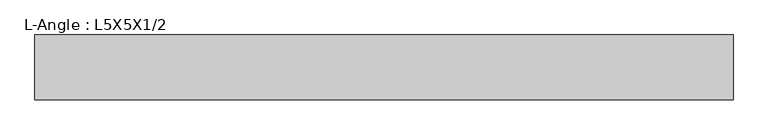
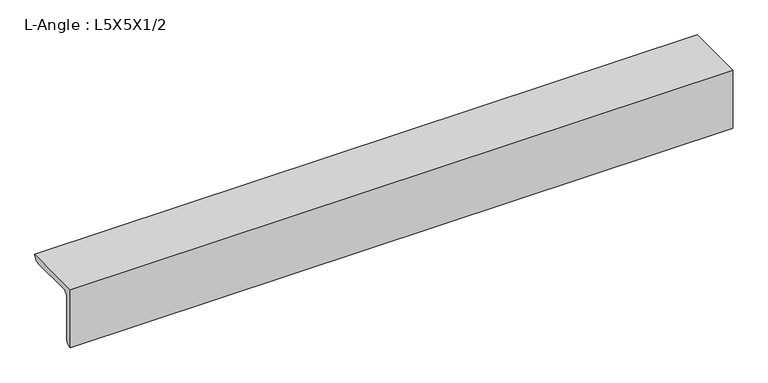
"""IFC4 building model written with IfcOpenShell, lengths in millimetres: beam geometry, L-Angle : L5X5X1/2."""

import ifcopenshell
import ifcopenshell.guid

model = None  # the IFC model being written
_history = None  # IfcOwnerHistory: only IFC2X3 demands one
_inside = {}  # id of a spatial element -> (the spatial element, [elements in it])
_under = {}  # id of a project, library or spatial element -> (it, [spatial elements below it])
_declared = {}  # id of a project -> (the project, [libraries it declares])
_typed = {}  # id of a type object -> (the type object, [elements of that type])
_made_of = {}  # id of a material, layer set ... -> (it, [elements and type objects made of it])


def new_model(schema):
    """Start an empty IFC model of exactly this schema.

    Asked for "IFC4X3", IfcOpenShell would pick the latest addendum, in which some entities
    have other attributes; the version numbers below select the first issue.
    IFC2X3 requires an IfcOwnerHistory on every rooted entity: one is made here for all.
    """
    global model, _history
    if schema == "IFC4X3":
        model = ifcopenshell.file(schema_version=(4, 3, 0, 0))
    else:
        model = ifcopenshell.file(schema=schema)
    _inside.clear()
    _under.clear()
    _declared.clear()
    _typed.clear()
    _made_of.clear()
    _history = None
    if model.schema == "IFC2X3":
        org = make("IfcOrganization", Name="unknown")
        user = make(
            "IfcPersonAndOrganization",
            ThePerson=make("IfcPerson", FamilyName="unknown"),
            TheOrganization=org,
        )
        app = make(
            "IfcApplication",
            ApplicationDeveloper=org,
            Version="unknown",
            ApplicationFullName="unknown",
            ApplicationIdentifier="unknown",
        )
        _history = make(
            "IfcOwnerHistory",
            OwningUser=user,
            OwningApplication=app,
            ChangeAction="ADDED",
            CreationDate=0,
        )
    return model


def make(cls, **values):
    """One entity of the class cls with the attributes given. An attribute that is None is left unset."""
    return model.create_entity(
        cls, **{name: value for name, value in values.items() if value is not None}
    )


def rooted(cls, **values):
    """An entity with a GlobalId (a new one), such as an element, a storey or a relation."""
    return make(cls, GlobalId=ifcopenshell.guid.new(), OwnerHistory=_history, **values)


def si_unit(unit_type, name, prefix=None):
    """IfcSIUnit, for example si_unit("LENGTHUNIT", "METRE", prefix="MILLI")."""
    return make("IfcSIUnit", UnitType=unit_type, Prefix=prefix, Name=name)


def assignment(units):
    """IfcUnitAssignment: the units of a project."""
    return None if units is None else make("IfcUnitAssignment", Units=units)


def point(xyz):
    """IfcCartesianPoint."""
    return None if xyz is None else make("IfcCartesianPoint", Coordinates=xyz)


def direction(xyz):
    """IfcDirection."""
    return None if xyz is None else make("IfcDirection", DirectionRatios=xyz)


def frame(location, z_axis=None, x_axis=None):
    """IfcAxis2Placement3D, a coordinate frame: its origin and axes. An axis left out is left unset."""
    return make(
        "IfcAxis2Placement3D",
        Location=point(location),
        Axis=direction(z_axis),
        RefDirection=direction(x_axis),
    )


def frame_2d(location, x_axis=None):
    """IfcAxis2Placement2D, a coordinate frame in the plane: its origin and x axis."""
    return make(
        "IfcAxis2Placement2D", Location=point(location), RefDirection=direction(x_axis)
    )


def origin():
    """The frame at (0, 0, 0) with its axes left unset."""
    return frame((0.0, 0.0, 0.0))


def place(relative_to, where):
    """IfcLocalPlacement: puts the frame where relative to a parent placement (None: the world)."""
    return make(
        "IfcLocalPlacement", PlacementRelTo=relative_to, RelativePlacement=where
    )


def context(
    kind, dimensions, precision=None, world=None, true_north=None, identifier=None
):
    """IfcGeometricRepresentationContext, for example the 3D "Model" context."""
    return make(
        "IfcGeometricRepresentationContext",
        ContextIdentifier=identifier,
        ContextType=kind,
        CoordinateSpaceDimension=dimensions,
        Precision=precision,
        WorldCoordinateSystem=world,
        TrueNorth=true_north,
    )


def project(units=None, contexts=None):
    """IfcProject with its units and contexts."""
    return rooted(
        "IfcProject",
        Name="project",
        RepresentationContexts=contexts,
        UnitsInContext=assignment(units),
    )


def spatial(cls, under=None, at=None, **own):
    """A site, building, storey or space (cls), placed at a placement, below another one or the project."""
    s = rooted(cls, ObjectPlacement=at, **own)
    if under is not None:
        _under.setdefault(under.id(), (under, []))[1].append(s)
    return s


def polyline(points):
    """IfcPolyline through the points."""
    return make("IfcPolyline", Points=[point(p) for p in points])


def circle_curve(where, radius):
    """IfcCircle in the frame where."""
    return make("IfcCircle", Position=where, Radius=radius)


def trimmed(basis, trim1, trim2, sense, master):
    """IfcTrimmedCurve: the piece of a basis curve between two trims."""
    return make(
        "IfcTrimmedCurve",
        BasisCurve=basis,
        Trim1=trim1,
        Trim2=trim2,
        SenseAgreement=sense,
        MasterRepresentation=master,
    )


def segment(curve, same_sense, transition):
    """IfcCompositeCurveSegment."""
    return make(
        "IfcCompositeCurveSegment",
        Transition=transition,
        SameSense=same_sense,
        ParentCurve=curve,
    )


def composite_curve(segments, self_intersect=None):
    """IfcCompositeCurve: segments joined end to end."""
    return make("IfcCompositeCurve", Segments=segments, SelfIntersect=self_intersect)


def outline(outer, holes=None, kind="AREA"):
    """IfcArbitraryClosedProfileDef: a profile drawn as a closed curve; with holes, ...WithVoids."""
    if holes is None:
        return make("IfcArbitraryClosedProfileDef", ProfileType=kind, OuterCurve=outer)
    return make(
        "IfcArbitraryProfileDefWithVoids",
        ProfileType=kind,
        OuterCurve=outer,
        InnerCurves=holes,
    )


def extrude(swept, where, along, depth):
    """IfcExtrudedAreaSolid: the profile swept, set in the frame where, extruded along a direction by depth."""
    return make(
        "IfcExtrudedAreaSolid",
        SweptArea=swept,
        Position=where,
        ExtrudedDirection=direction(along),
        Depth=depth,
    )


def shape(context_of_items, identifier, shape_type, items):
    """IfcShapeRepresentation: the items that make up one representation, for example the "Body"."""
    return make(
        "IfcShapeRepresentation",
        ContextOfItems=context_of_items,
        RepresentationIdentifier=identifier,
        RepresentationType=shape_type,
        Items=items,
    )


def source(mapping_origin, context_of_items, identifier, shape_type, items):
    """IfcRepresentationMap: a shape defined once, which mapped items show again and again."""
    return make(
        "IfcRepresentationMap",
        MappingOrigin=mapping_origin,
        MappedRepresentation=shape(context_of_items, identifier, shape_type, items),
    )


def transform(
    local_origin,
    x_axis=None,
    y_axis=None,
    z_axis=None,
    scale=None,
    scale2=None,
    scale3=None,
    uniform=True,
):
    """IfcCartesianTransformationOperator3D, or its non-uniform kind. x_axis, y_axis, z_axis: its Axis1, 2, 3."""
    if uniform:
        return make(
            "IfcCartesianTransformationOperator3D",
            Axis1=direction(x_axis),
            Axis2=direction(y_axis),
            LocalOrigin=point(local_origin),
            Scale=scale,
            Axis3=direction(z_axis),
        )
    return make(
        "IfcCartesianTransformationOperator3DnonUniform",
        Axis1=direction(x_axis),
        Axis2=direction(y_axis),
        LocalOrigin=point(local_origin),
        Scale=scale,
        Axis3=direction(z_axis),
        Scale2=scale2,
        Scale3=scale3,
    )


def mapped(mapping_source, mapping_target):
    """IfcMappedItem: shows the shape of a source again, moved by a transform."""
    return make(
        "IfcMappedItem", MappingSource=mapping_source, MappingTarget=mapping_target
    )


def made_of(thing, what):
    """Note that an element or type object is made of a material, layer set ...; save() writes the relation."""
    if what is not None:
        _made_of.setdefault(what.id(), (what, []))[1].append(thing)
    return thing


def element(
    cls,
    number,
    at=None,
    inside=None,
    cuts=None,
    type_object=None,
    material=None,
    context=None,
    identifier="Body",
    shape_type=None,
    held_by="IfcProductDefinitionShape",
    body=None,
    shapes=None,
    **own,
):
    """One element of the class cls, such as IfcWall. Its Tag is "e" and its number.

    at: its placement. inside: the storey or other place that contains it. cuts: it is an
    opening in that element (IfcRelVoidsElement). A single representation is given by context,
    identifier, shape_type and body (its items); several are given by shapes. held_by: the class
    of the entity that holds the representations. save() writes the other relations.
    """
    e = rooted(cls, Tag="e%d" % number, ObjectPlacement=at, **own)
    if body is not None:
        shapes = [shape(context, identifier, shape_type, body)]
    if shapes is not None:
        e.Representation = make(held_by, Representations=shapes)
    if inside is not None:
        _inside.setdefault(inside.id(), (inside, []))[1].append(e)
    if cuts is not None:
        rooted(
            "IfcRelVoidsElement", RelatingBuildingElement=cuts, RelatedOpeningElement=e
        )
    if type_object is not None:
        _typed.setdefault(type_object.id(), (type_object, []))[1].append(e)
    return made_of(e, material)


def aggregate(whole, parts):
    """IfcRelAggregates: a whole, such as a stair, and the parts it consists of."""
    return rooted("IfcRelAggregates", RelatingObject=whole, RelatedObjects=parts)


def save(model, path):
    """Write the relations noted so far, then the file.

    IfcRelAggregates (storeys below a building ...), IfcRelContainedInSpatialStructure (elements
    in a storey), IfcRelDefinesByType, IfcRelAssociatesMaterial and IfcRelDeclares: one each for
    every whole, place, type object, material and project.
    """
    for whole, parts in _under.values():
        aggregate(whole, parts)
    for where, things in _inside.values():
        rooted(
            "IfcRelContainedInSpatialStructure",
            RelatedElements=things,
            RelatingStructure=where,
        )
    for kind, things in _typed.values():
        rooted("IfcRelDefinesByType", RelatedObjects=things, RelatingType=kind)
    for what, things in _made_of.values():
        rooted("IfcRelAssociatesMaterial", RelatedObjects=things, RelatingMaterial=what)
    for by, libraries in _declared.values():
        rooted("IfcRelDeclares", RelatingContext=by, RelatedDefinitions=libraries)
    model.write(path)


def l_angle_l5x5x1_2_56a12402(model_context):
    return source(origin(), model_context, "Body", "SweptSolid", [
        extrude(outline(composite_curve([segment(polyline([(-36.068, 36.068), (90.932, 36.068)]), True, "CONTINUOUS"), segment(trimmed(circle_curve(frame_2d((78.232, 36.068)), 12.7), [point((90.932, 36.068))], [point((78.232, 23.368))], False, "CARTESIAN"), True, "CONTINUOUS"), segment(polyline([(78.232, 23.368), (-10.668, 23.368)]), True, "CONTINUOUS"), segment(trimmed(circle_curve(frame_2d((-10.668, 10.668)), 12.7), [point((-10.668, 23.368))], [point((-23.368, 10.668))], True, "CARTESIAN"), True, "CONTINUOUS"), segment(polyline([(-23.368, 10.668), (-23.368, -78.232)]), True, "CONTINUOUS"), segment(trimmed(circle_curve(frame_2d((-36.068, -78.232)), 12.7), [point((-23.368, -78.232))], [point((-36.068, -90.932))], False, "CARTESIAN"), True, "CONTINUOUS"), segment(polyline([(-36.068, -90.932), (-36.068, 36.068)]), True, "CONTINUOUS")], self_intersect=False)), frame((-1151.0725582, 0.0, 0.0), z_axis=(1.0, 0.0, 0.0), x_axis=(0.0, 1.0, 0.0)), (0.0, 0.0, 1.0), 1366.9460552),
    ])


if __name__ == "__main__":
    model = new_model("IFC4")
    model_context = context("Model", 3, world=origin())
    ifc_project = project(units=[si_unit("LENGTHUNIT", "METRE", prefix="MILLI")], contexts=[model_context])
    site = spatial("IfcSite", under=ifc_project)
    building = spatial("IfcBuilding", under=site)
    placement = place(None, origin())
    l_angle_l5x5x1_2_shape = l_angle_l5x5x1_2_56a12402(model_context)
    element("IfcBeam", 1, ObjectType="L-Angle : L5X5X1/2", at=placement, inside=building, context=model_context, shape_type="MappedRepresentation", body=[
        mapped(l_angle_l5x5x1_2_shape, transform((0.0, 0.0, 0.0), x_axis=(1.0, 0.0, 0.0), y_axis=(0.0, 1.0, 0.0), z_axis=(0.0, 0.0, 1.0))),
    ])
    save(model, "model.ifc")
